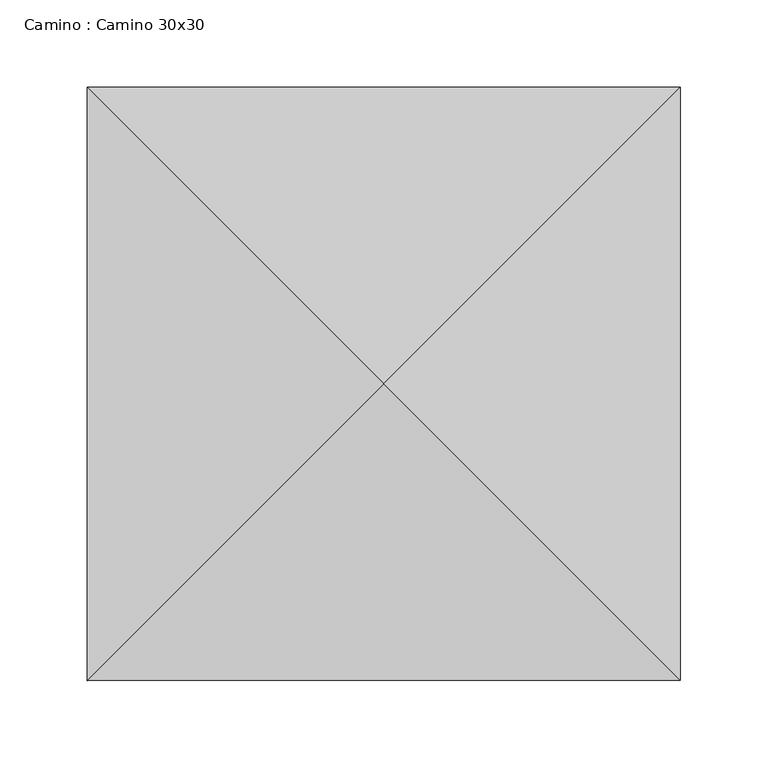
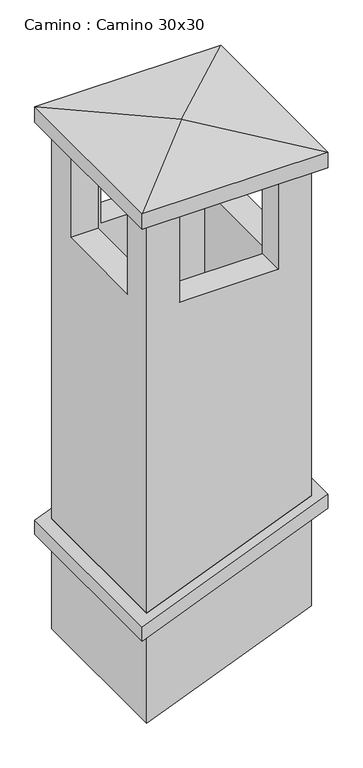
"""IFC4 building model written with IfcOpenShell, lengths in millimetres: proxy geometry, Camino : Camino 30x30."""

from ifc_helpers import new_model, si_unit, origin, place, context, project, spatial, faceted_brep, source, transform, mapped, element, save


def camino_camino_30x30_733578d2(model_context):
    return source(origin(), model_context, "Body", "Brep", [
        faceted_brep([(169.5356454, -169.5356454, 4355.4602155), (-169.5356454, -169.5356454, 4218.4665216), (-169.5356454, -169.5356454, 4191.503153), (169.5356454, -169.5356454, 4328.496847), (169.5356454, 169.5356454, 4355.4602155), (169.5356454, 169.5356454, 4328.496847), (-169.5356454, 169.5356454, 4191.503153), (-169.5356454, 169.5356454, 4218.4665216), (-150.0, 150.0, 4226.3594347), (150.0, 150.0, 4347.5673024), (150.0, -150.0, 4347.5673024), (-150.0, -150.0, 4226.3594347), (150.0, 150.0, 4320.6039339), (-150.0, 150.0, 4199.3960661), (-150.0, -150.0, 4199.3960661), (150.0, -150.0, 4320.6039339)], [[[0, 1, 2, 3]], [[4, 5, 6, 7]], [[1, 0, 4, 7], [8, 9, 10, 11]], [[2, 1, 7, 6]], [[3, 2, 6, 5], [12, 13, 14, 15]], [[0, 3, 5, 4]], [[12, 9, 8, 13]], [[13, 8, 11, 14]], [[14, 11, 10, 15]], [[9, 12, 15, 10]]]),
        faceted_brep([(150.0, 150.0, 4135.6039339), (-150.0, 150.0, 4014.3960661), (-150.0, 150.0, 4226.3594347), (150.0, 150.0, 4347.5673024), (-150.0, -150.0, 4014.3960661), (-150.0, -150.0, 4226.3594347), (150.0, -150.0, 4135.6039339), (150.0, -150.0, 4347.5673024), (100.0, 100.0, 4115.4026226), (100.0, -100.0, 4115.4026226), (100.0, -100.0, 4327.3659912), (100.0, 100.0, 4327.3659912), (-100.0, -100.0, 4034.5973774), (-100.0, -100.0, 4246.560746), (-100.0, 100.0, 4034.5973774), (-100.0, 100.0, 4246.560746)], [[[0, 1, 2, 3]], [[1, 4, 5, 2]], [[4, 6, 7, 5]], [[6, 0, 3, 7]], [[8, 9, 10, 11]], [[9, 12, 13, 10]], [[12, 14, 15, 13]], [[14, 8, 11, 15]], [[1, 0, 6, 4], [9, 8, 14, 12]], [[3, 2, 5, 7], [11, 10, 13, 15]]]),
        faceted_brep([(169.5356454, -169.5356454, 4985.0), (169.5356454, -169.5356454, 5015.0), (-169.5356454, -169.5356454, 5015.0), (-169.5356454, -169.5356454, 4985.0), (169.5356454, 169.5356454, 4985.0), (-169.5356454, 169.5356454, 4985.0), (-169.5356454, 169.5356454, 5015.0), (169.5356454, 169.5356454, 5015.0), (0.0, 0.0, 5035.0)], [[[0, 1, 2, 3]], [[4, 5, 6, 7]], [[1, 0, 4, 7]], [[1, 7, 8]], [[6, 2, 8]], [[3, 2, 6, 5]], [[0, 3, 5, 4]], [[2, 1, 8]], [[7, 6, 8]]]),
        faceted_brep([(-90.0, 150.0, 4985.0), (-150.0, 150.0, 4985.0), (-150.0, 90.0, 4985.0), (-100.0, 90.0, 4985.0), (-100.0, 100.0, 4985.0), (-90.0, 100.0, 4985.0), (150.0, 150.0, 4985.0), (90.0, 150.0, 4985.0), (90.0, 100.0, 4985.0), (100.0, 100.0, 4985.0), (100.0, 90.0, 4985.0), (150.0, 90.0, 4985.0), (-150.0, -150.0, 4985.0), (-90.0, -150.0, 4985.0), (-90.0, -100.0, 4985.0), (-100.0, -100.0, 4985.0), (-100.0, -90.0, 4985.0), (-150.0, -90.0, 4985.0), (90.0, -150.0, 4985.0), (150.0, -150.0, 4985.0), (150.0, -90.0, 4985.0), (100.0, -90.0, 4985.0), (100.0, -100.0, 4985.0), (90.0, -100.0, 4985.0), (-90.0, 150.0, 4805.0), (90.0, 150.0, 4805.0), (150.0, 150.0, 4320.6039339), (-150.0, 150.0, 4199.3960661), (-150.0, -90.0, 4805.0), (-150.0, 90.0, 4805.0), (-150.0, -150.0, 4199.3960661), (150.0, -150.0, 4320.6039339), (90.0, -150.0, 4805.0), (-90.0, -150.0, 4805.0), (150.0, 90.0, 4805.0), (150.0, -90.0, 4805.0), (100.0, -90.0, 4805.0), (100.0, 90.0, 4805.0), (100.0, 100.0, 4300.4026226), (100.0, -100.0, 4300.4026226), (-90.0, -100.0, 4805.0), (90.0, -100.0, 4805.0), (-100.0, -100.0, 4219.5973774), (-100.0, 100.0, 4219.5973774), (-100.0, 90.0, 4805.0), (-100.0, -90.0, 4805.0), (90.0, 100.0, 4805.0), (-90.0, 100.0, 4805.0)], [[[0, 1, 2, 3, 4, 5]], [[6, 7, 8, 9, 10, 11]], [[12, 13, 14, 15, 16, 17]], [[18, 19, 20, 21, 22, 23]], [[1, 0, 24, 25, 7, 6, 26, 27]], [[12, 17, 28, 29, 2, 1, 27, 30]], [[13, 12, 30, 31, 19, 18, 32, 33]], [[20, 19, 31, 26, 6, 11, 34, 35]], [[22, 21, 36, 37, 10, 9, 38, 39]], [[15, 14, 40, 41, 23, 22, 39, 42]], [[16, 15, 42, 43, 4, 3, 44, 45]], [[5, 4, 43, 38, 9, 8, 46, 47]], [[33, 40, 14, 13]], [[47, 24, 0, 5]], [[40, 33, 32, 41]], [[24, 47, 46, 25]], [[41, 32, 18, 23]], [[25, 46, 8, 7]], [[35, 36, 21, 20]], [[45, 28, 17, 16]], [[36, 35, 34, 37]], [[28, 45, 44, 29]], [[37, 34, 11, 10]], [[29, 44, 3, 2]], [[27, 26, 31, 30], [39, 38, 43, 42]]]),
    ])


if __name__ == "__main__":
    model = new_model("IFC4")
    model_context = context("Model", 3, world=origin())
    ifc_project = project(units=[si_unit("LENGTHUNIT", "METRE", prefix="MILLI")], contexts=[model_context])
    site = spatial("IfcSite", under=ifc_project)
    building = spatial("IfcBuilding", under=site)
    placement = place(None, origin())
    camino_camino_30x30_shape = camino_camino_30x30_733578d2(model_context)
    element("IfcBuildingElementProxy", 1, Name="Camino : Camino 30x30", ObjectType="Camino : Camino 30x30", at=placement, inside=building, context=model_context, shape_type="MappedRepresentation", body=[
        mapped(camino_camino_30x30_shape, transform((0.0, 0.0, 0.0), x_axis=(1.0, 0.0, 0.0), y_axis=(0.0, 1.0, 0.0), z_axis=(0.0, 0.0, 1.0))),
    ])
    save(model, "model.ifc")
